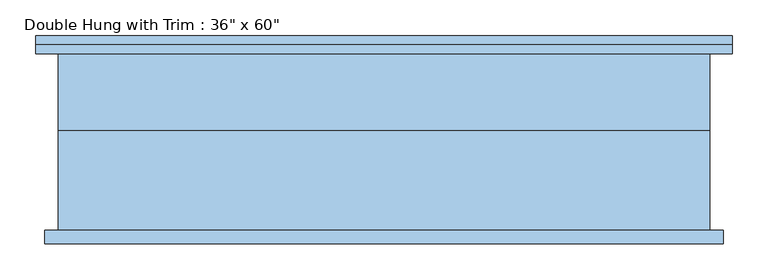
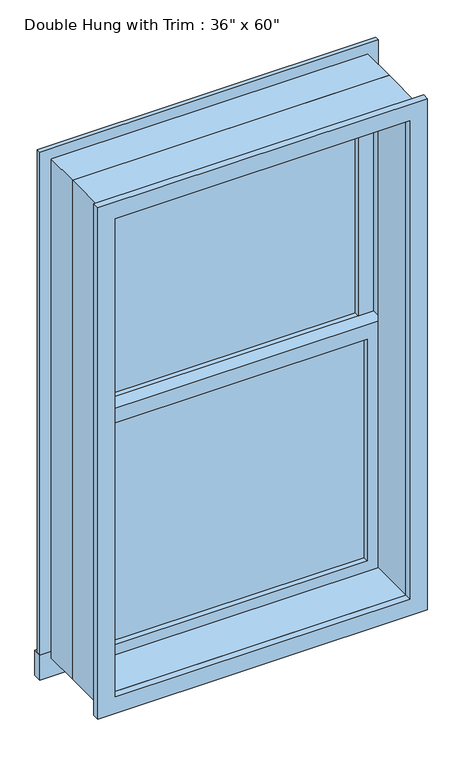
"""IFC4 building model written with IfcOpenShell, lengths in millimetres: window geometry."""

from ifc_helpers import new_model, si_unit, frame, origin, place, context, project, spatial, polyline, outline, extrude, source, transform, mapped, element, save


def window_84c0181f(model_context):
    return source(origin(), model_context, "Body", "SweptSolid", [
        extrude(outline(polyline([(-393.7, 44.45), (393.7, 44.45), (393.7, 31.75), (-393.7, 31.75), (-393.7, 44.45)])), frame((0.0, 0.0, 673.1), z_axis=(0.0, 0.0, 1.0), x_axis=(1.0, 0.0, 0.0)), (0.0, 0.0, 1.0), 676.275),
        extrude(outline(polyline([(1393.825, -438.15), (628.65, -438.15), (628.65, 438.15), (1393.825, 438.15), (1393.825, -438.15)]), holes=[polyline([(1349.375, -393.7), (1349.375, 393.7), (673.1, 393.7), (673.1, -393.7), (1349.375, -393.7)])]), frame((0.0, 15.875, 0.0), z_axis=(0.0, 1.0, 0.0), x_axis=(0.0, 0.0, 1.0)), (0.0, 0.0, 1.0), 44.45),
        extrude(outline(polyline([(-488.95, 149.225), (488.95, 149.225), (488.95, 123.825), (-488.95, 123.825), (-488.95, 149.225)])), frame((0.0, 0.0, 552.45), z_axis=(0.0, 0.0, 1.0), x_axis=(1.0, 0.0, 0.0)), (0.0, 0.0, 1.0), 76.2),
        extrude(outline(polyline([(2114.55, -438.15), (2114.55, 438.15), (628.65, 438.15), (628.65, 488.95), (2165.35, 488.95), (2165.35, -488.95), (628.65, -488.95), (628.65, -438.15), (2114.55, -438.15)])), frame((0.0, 123.825, 0.0), z_axis=(0.0, 1.0, 0.0), x_axis=(0.0, 0.0, 1.0)), (0.0, 0.0, 1.0), 12.7),
        extrude(outline(polyline([(2152.65, 476.25), (2152.65, -476.25), (590.55, -476.25), (590.55, 476.25), (2152.65, 476.25)]), holes=[polyline([(2101.85, 425.45), (641.35, 425.45), (641.35, -425.45), (2101.85, -425.45), (2101.85, 425.45)])]), frame((0.0, -142.875, 0.0), z_axis=(0.0, 1.0, 0.0), x_axis=(0.0, 0.0, 1.0)), (0.0, 0.0, 1.0), 19.05),
        extrude(outline(polyline([(393.7, 76.2), (-393.7, 76.2), (-393.7, 88.9), (393.7, 88.9), (393.7, 76.2)])), frame((0.0, 0.0, 1393.825), z_axis=(0.0, 0.0, 1.0), x_axis=(1.0, 0.0, 0.0)), (0.0, 0.0, 1.0), 676.275),
        extrude(outline(polyline([(2114.55, -438.15), (1349.375, -438.15), (1349.375, 438.15), (2114.55, 438.15), (2114.55, -438.15)]), holes=[polyline([(2070.1, -393.7), (2070.1, 393.7), (1393.825, 393.7), (1393.825, -393.7), (2070.1, -393.7)])]), frame((0.0, 60.325, 0.0), z_axis=(0.0, 1.0, 0.0), x_axis=(0.0, 0.0, 1.0)), (0.0, 0.0, 1.0), 44.45),
        extrude(outline(polyline([(2133.6, -457.2), (609.6, -457.2), (609.6, 457.2), (2133.6, 457.2), (2133.6, -457.2)]), holes=[polyline([(2101.85, -425.45), (2101.85, 425.45), (641.35, 425.45), (641.35, -425.45), (2101.85, -425.45)])]), frame((0.0, -123.825, 0.0), z_axis=(0.0, 1.0, 0.0), x_axis=(0.0, 0.0, 1.0)), (0.0, 0.0, 1.0), 139.7),
        extrude(outline(polyline([(2133.6, 457.2), (2133.6, -457.2), (609.6, -457.2), (609.6, 457.2), (2133.6, 457.2)]), holes=[polyline([(2114.55, 438.15), (628.65, 438.15), (628.65, -438.15), (2114.55, -438.15), (2114.55, 438.15)])]), frame((0.0, 15.875, 0.0), z_axis=(0.0, 1.0, 0.0), x_axis=(0.0, 0.0, 1.0)), (0.0, 0.0, 1.0), 107.95),
    ])


if __name__ == "__main__":
    model = new_model("IFC4")
    model_context = context("Model", 3, world=origin())
    ifc_project = project(units=[si_unit("LENGTHUNIT", "METRE", prefix="MILLI")], contexts=[model_context])
    site = spatial("IfcSite", under=ifc_project)
    building = spatial("IfcBuilding", under=site)
    placement = place(None, origin())
    window_shape = window_84c0181f(model_context)
    element("IfcWindow", 1, ObjectType="Double Hung with Trim : 36\" x 60\"", at=placement, inside=building, context=model_context, shape_type="MappedRepresentation", body=[
        mapped(window_shape, transform((0.0, 0.0, 0.0), x_axis=(1.0, 0.0, 0.0), y_axis=(0.0, 1.0, 0.0), z_axis=(0.0, 0.0, 1.0))),
    ])
    save(model, "model.ifc")
